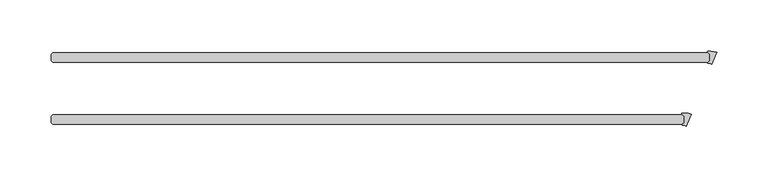
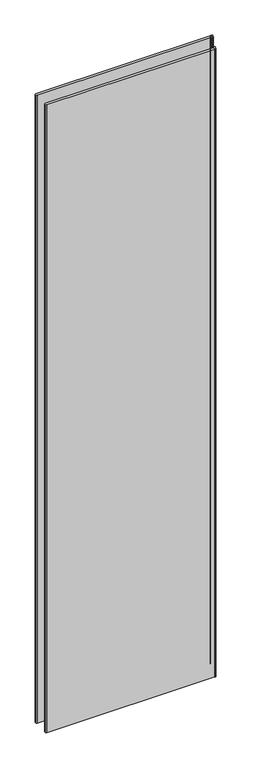
"""IFC4 building model written with IfcOpenShell, lengths in millimetres: plate geometry."""

from ifc_helpers import new_model, si_unit, point, frame_2d, origin, origin_with_axes, place, context, project, spatial, polyline, circle_curve, trimmed, segment, composite_curve, outline, extrude, source, transform, mapped, element, save


def plate_1133c556(model_context):
    return source(origin(), model_context, "Body", "SweptSolid", [
        extrude(outline(composite_curve([segment(polyline([(331.659972, 35.1433375), (326.9309388, 23.7264413)]), True, "CONTINUOUS"), segment(trimmed(circle_curve(frame_2d((323.2331067, 16.386585)), 8.2187257), [point((326.9309388, 23.7264413))], [point((323.4004278, 24.6036073))], True, "CARTESIAN"), True, "CONTINUOUS"), segment(trimmed(circle_curve(frame_2d((323.4085076, 25.0004)), 0.396875), [point((323.4004278, 24.6036073))], [point((323.1278746, 25.2810331))], False, "CARTESIAN"), True, "CONTINUOUS"), segment(polyline([(323.1278746, 25.2810331), (324.8343416, 26.9875), (324.8343416, 33.3375), (322.7551339, 35.4167077)]), True, "CONTINUOUS"), segment(trimmed(circle_curve(frame_2d((323.0357669, 35.6973407)), 0.396875), [point((322.7551339, 35.4167077))], [point((322.9799997, 36.0902781))], False, "CARTESIAN"), True, "CONTINUOUS"), segment(trimmed(circle_curve(frame_2d((325.462995, 18.5950115)), 17.6705863), [point((322.9799997, 36.0902781))], [point((331.659972, 35.1433375))], False, "CARTESIAN"), True, "CONTINUOUS")], self_intersect=False)), origin_with_axes(), (0.0, 0.0, 1.0), 2417.7625023),
        extrude(outline(composite_curve([segment(polyline([(306.6725389, -25.1816625), (301.9435056, -36.5985587)]), True, "CONTINUOUS"), segment(trimmed(circle_curve(frame_2d((298.2456736, -43.938415)), 8.2187257), [point((301.9435056, -36.5985587))], [point((298.4129947, -35.7213927))], True, "CARTESIAN"), True, "CONTINUOUS"), segment(trimmed(circle_curve(frame_2d((298.4210745, -35.3246)), 0.396875), [point((298.4129947, -35.7213927))], [point((298.1404415, -35.0439669))], False, "CARTESIAN"), True, "CONTINUOUS"), segment(polyline([(298.1404415, -35.0439669), (299.8469084, -33.3375), (299.8469084, -26.9875), (297.7677007, -24.9082923)]), True, "CONTINUOUS"), segment(trimmed(circle_curve(frame_2d((298.0483337, -24.6276593)), 0.396875), [point((297.7677007, -24.9082923))], [point((297.9925665, -24.2347219))], False, "CARTESIAN"), True, "CONTINUOUS"), segment(trimmed(circle_curve(frame_2d((300.4755618, -41.7299885)), 17.6705863), [point((297.9925665, -24.2347219))], [point((306.6725389, -25.1816625))], False, "CARTESIAN"), True, "CONTINUOUS")], self_intersect=False)), origin_with_axes(), (0.0, 0.0, 1.0), 2417.7625023),
        extrude(outline(polyline([(298.2594084, -25.4), (299.8469084, -26.9875), (299.8469084, -33.3375), (298.2594084, -34.925), (-315.515625, -34.925), (-317.103125, -33.3375), (-317.103125, -26.9875), (-315.515625, -25.4), (298.2594084, -25.4)])), origin_with_axes(), (0.0, 0.0, 1.0), 2417.7625023),
        extrude(outline(polyline([(323.2468416, 34.925), (324.8343416, 33.3375), (324.8343416, 26.9875), (323.2468416, 25.4), (-315.515625, 25.4), (-317.103125, 26.9875), (-317.103125, 33.3375), (-315.515625, 34.925), (323.2468416, 34.925)])), origin_with_axes(), (0.0, 0.0, 1.0), 2417.7625023),
    ])


if __name__ == "__main__":
    model = new_model("IFC4")
    model_context = context("Model", 3, world=origin())
    ifc_project = project(units=[si_unit("LENGTHUNIT", "METRE", prefix="MILLI")], contexts=[model_context])
    site = spatial("IfcSite", under=ifc_project)
    building = spatial("IfcBuilding", under=site)
    placement = place(None, origin())
    plate_shape = plate_1133c556(model_context)
    element("IfcPlate", 1, at=placement, inside=building, context=model_context, shape_type="MappedRepresentation", body=[
        mapped(plate_shape, transform((0.0, 0.0, 0.0), x_axis=(1.0, 0.0, 0.0), y_axis=(0.0, 1.0, 0.0), z_axis=(0.0, 0.0, 1.0))),
    ])
    save(model, "model.ifc")
